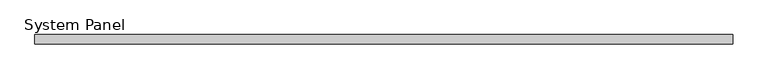
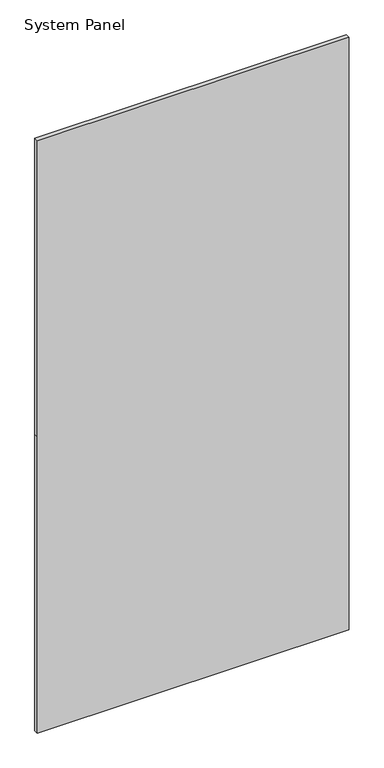
"""IFC4 building model written with IfcOpenShell, lengths in millimetres: plate geometry, System Panel."""

from ifc_helpers import new_model, si_unit, frame, origin, place, context, project, spatial, polyline, outline, extrude, source, transform, mapped, element, save


def system_panel_c7743b03(model_context):
    return source(origin(), model_context, "Body", "SweptSolid", [
        extrude(outline(polyline([(0.0, -595.0), (0.0, 595.0), (1195.0, 595.0), (2390.0, 595.0), (2390.0, -595.0), (1195.0, -595.0), (0.0, -595.0)])), frame((0.0, -8.0, 0.0), z_axis=(0.0, 1.0, 0.0), x_axis=(0.0, 0.0, 1.0)), (0.0, 0.0, 1.0), 16.0),
    ])


if __name__ == "__main__":
    model = new_model("IFC4")
    model_context = context("Model", 3, world=origin())
    ifc_project = project(units=[si_unit("LENGTHUNIT", "METRE", prefix="MILLI")], contexts=[model_context])
    site = spatial("IfcSite", under=ifc_project)
    building = spatial("IfcBuilding", under=site)
    placement = place(None, origin())
    system_panel_shape = system_panel_c7743b03(model_context)
    element("IfcPlate", 1, ObjectType="System Panel", at=placement, inside=building, context=model_context, shape_type="MappedRepresentation", body=[
        mapped(system_panel_shape, transform((0.0, 0.0, 0.0), x_axis=(1.0, 0.0, 0.0), y_axis=(0.0, 1.0, 0.0), z_axis=(0.0, 0.0, 1.0))),
    ])
    save(model, "model.ifc")
